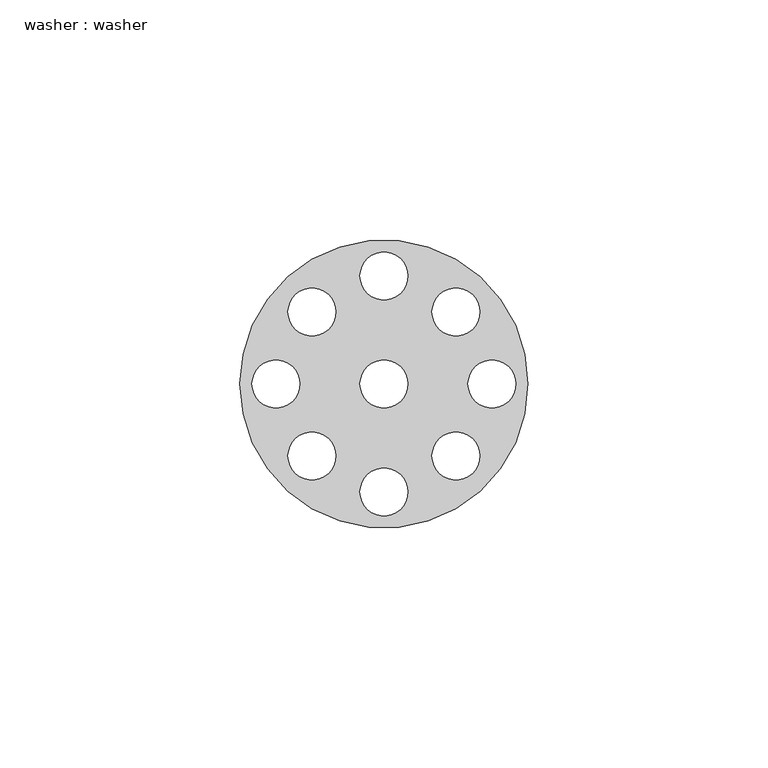
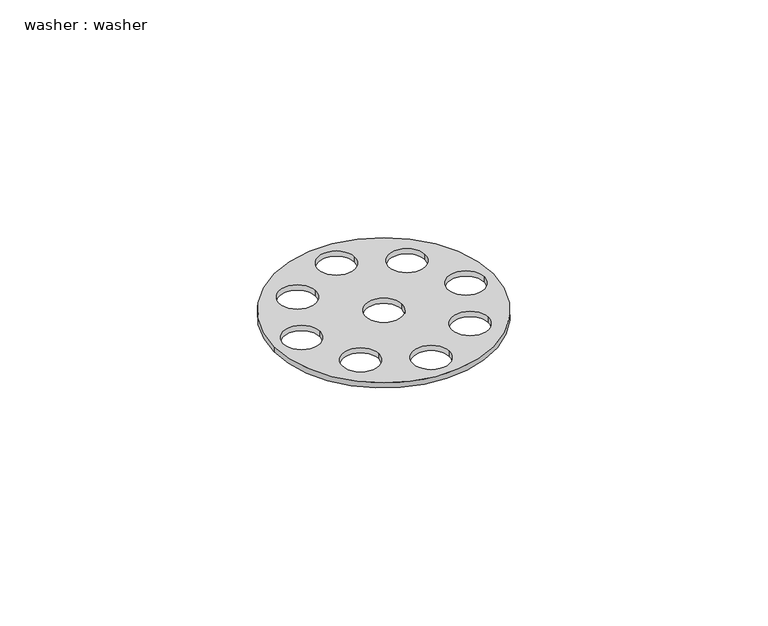
"""IFC4 building model written with IfcOpenShell, lengths in millimetres: proxy geometry, washer : washer."""

from ifc_helpers import new_model, si_unit, point, frame_2d, origin, origin_with_axes, origin_2d, place, context, project, spatial, circle_curve, trimmed, segment, composite_curve, outline, extrude, source, transform, mapped, element, save


def washer_washer_057d0425(model_context):
    return source(origin(), model_context, "Body", "SweptSolid", [
        extrude(outline(composite_curve([segment(trimmed(circle_curve(origin_2d(), 30.0), [point((-30.0, 0.0))], [point((30.0, 0.0))], False, "CARTESIAN"), True, "CONTINUOUS"), segment(trimmed(circle_curve(origin_2d(), 30.0), [point((30.0, 0.0))], [point((-30.0, 0.0))], False, "CARTESIAN"), True, "CONTINUOUS")], self_intersect=False), holes=[composite_curve([segment(trimmed(circle_curve(frame_2d((0.0, -22.5)), 5.0), [point((-5.0, -22.5))], [point((5.0, -22.5))], True, "CARTESIAN"), True, "CONTINUOUS"), segment(trimmed(circle_curve(frame_2d((0.0, -22.5)), 5.0), [point((5.0, -22.5))], [point((-5.0, -22.5))], True, "CARTESIAN"), True, "CONTINUOUS")], self_intersect=False), composite_curve([segment(trimmed(circle_curve(frame_2d((-15.0, -15.0)), 5.0), [point((-20.0, -15.0))], [point((-10.0, -15.0))], True, "CARTESIAN"), True, "CONTINUOUS"), segment(trimmed(circle_curve(frame_2d((-15.0, -15.0)), 5.0), [point((-10.0, -15.0))], [point((-20.0, -15.0))], True, "CARTESIAN"), True, "CONTINUOUS")], self_intersect=False), composite_curve([segment(trimmed(circle_curve(frame_2d((-22.5, 0.0)), 5.0), [point((-27.5, 0.0))], [point((-17.5, 0.0))], True, "CARTESIAN"), True, "CONTINUOUS"), segment(trimmed(circle_curve(frame_2d((-22.5, 0.0)), 5.0), [point((-17.5, 0.0))], [point((-27.5, 0.0))], True, "CARTESIAN"), True, "CONTINUOUS")], self_intersect=False), composite_curve([segment(trimmed(circle_curve(frame_2d((-15.0, 15.0)), 5.0), [point((-20.0, 15.0))], [point((-10.0, 15.0))], True, "CARTESIAN"), True, "CONTINUOUS"), segment(trimmed(circle_curve(frame_2d((-15.0, 15.0)), 5.0), [point((-10.0, 15.0))], [point((-20.0, 15.0))], True, "CARTESIAN"), True, "CONTINUOUS")], self_intersect=False), composite_curve([segment(trimmed(circle_curve(frame_2d((0.0, 22.5)), 5.0), [point((-5.0, 22.5))], [point((5.0, 22.5))], True, "CARTESIAN"), True, "CONTINUOUS"), segment(trimmed(circle_curve(frame_2d((0.0, 22.5)), 5.0), [point((5.0, 22.5))], [point((-5.0, 22.5))], True, "CARTESIAN"), True, "CONTINUOUS")], self_intersect=False), composite_curve([segment(trimmed(circle_curve(frame_2d((15.0, 15.0)), 5.0), [point((10.0, 15.0))], [point((20.0, 15.0))], True, "CARTESIAN"), True, "CONTINUOUS"), segment(trimmed(circle_curve(frame_2d((15.0, 15.0)), 5.0), [point((20.0, 15.0))], [point((10.0, 15.0))], True, "CARTESIAN"), True, "CONTINUOUS")], self_intersect=False), composite_curve([segment(trimmed(circle_curve(frame_2d((22.5, 0.0)), 5.0), [point((17.5, 0.0))], [point((27.5, 0.0))], True, "CARTESIAN"), True, "CONTINUOUS"), segment(trimmed(circle_curve(frame_2d((22.5, 0.0)), 5.0), [point((27.5, 0.0))], [point((17.5, 0.0))], True, "CARTESIAN"), True, "CONTINUOUS")], self_intersect=False), composite_curve([segment(trimmed(circle_curve(frame_2d((15.0, -15.0)), 5.0), [point((10.0, -15.0))], [point((20.0, -15.0))], True, "CARTESIAN"), True, "CONTINUOUS"), segment(trimmed(circle_curve(frame_2d((15.0, -15.0)), 5.0), [point((20.0, -15.0))], [point((10.0, -15.0))], True, "CARTESIAN"), True, "CONTINUOUS")], self_intersect=False), composite_curve([segment(trimmed(circle_curve(origin_2d(), 5.0), [point((-5.0, 0.0))], [point((5.0, 0.0))], True, "CARTESIAN"), True, "CONTINUOUS"), segment(trimmed(circle_curve(origin_2d(), 5.0), [point((5.0, 0.0))], [point((-5.0, 0.0))], True, "CARTESIAN"), True, "CONTINUOUS")], self_intersect=False)]), origin_with_axes(), (0.0, 0.0, 1.0), 1.5),
    ])


if __name__ == "__main__":
    model = new_model("IFC4")
    model_context = context("Model", 3, world=origin())
    ifc_project = project(units=[si_unit("LENGTHUNIT", "METRE", prefix="MILLI")], contexts=[model_context])
    site = spatial("IfcSite", under=ifc_project)
    building = spatial("IfcBuilding", under=site)
    placement = place(None, origin())
    washer_washer_shape = washer_washer_057d0425(model_context)
    element("IfcBuildingElementProxy", 1, Name="washer : washer", ObjectType="washer : washer", at=placement, inside=building, context=model_context, shape_type="MappedRepresentation", body=[
        mapped(washer_washer_shape, transform((0.0, 0.0, 0.0), x_axis=(1.0, 0.0, 0.0), y_axis=(0.0, 1.0, 0.0), z_axis=(0.0, 0.0, 1.0))),
    ])
    save(model, "model.ifc")
